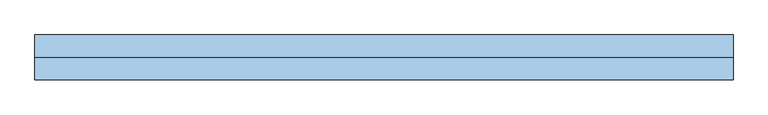
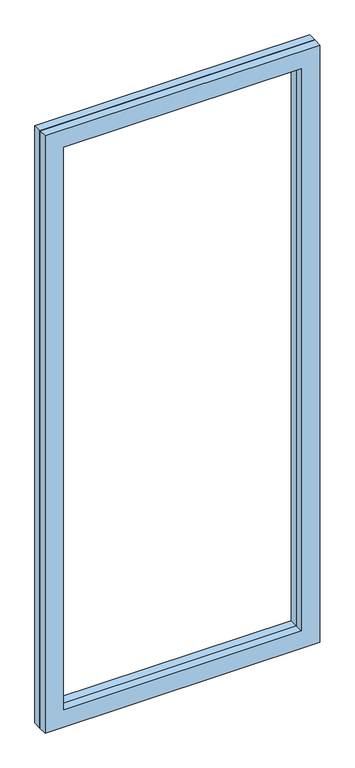
"""IFC4 building model written with IfcOpenShell, lengths in millimetres: window geometry."""

from ifc_helpers import new_model, si_unit, frame, origin, place, context, project, spatial, polyline, outline, extrude, source, transform, mapped, element, save


def window_182bf8ce(model_context):
    return source(origin(), model_context, "Body", "SweptSolid", [
        extrude(outline(polyline([(2399.5, -522.0833333), (0.0, -522.0833333), (0.0, 522.0833333), (2399.5, 522.0833333), (2399.5, -522.0833333)]), holes=[polyline([(70.0, -452.0833333), (2329.5, -452.0833333), (2329.5, 452.0833333), (70.0, 452.0833333), (70.0, -452.0833333)])]), frame((0.0, 58.5, 0.0), z_axis=(0.0, 1.0, 0.0), x_axis=(0.0, 0.0, 1.0)), (0.0, 0.0, 1.0), 33.5),
        extrude(outline(polyline([(2399.5, -522.0833333), (0.0, -522.0833333), (0.0, 522.0833333), (2399.5, 522.0833333), (2399.5, -522.0833333)]), holes=[polyline([(70.0, -452.0833333), (2329.5, -452.0833333), (2329.5, 452.0833333), (70.0, 452.0833333), (70.0, -452.0833333)])]), frame((0.0, 25.0, 0.0), z_axis=(0.0, 1.0, 0.0), x_axis=(0.0, 0.0, 1.0)), (0.0, 0.0, 1.0), 33.5),
    ])


if __name__ == "__main__":
    model = new_model("IFC4")
    model_context = context("Model", 3, world=origin())
    ifc_project = project(units=[si_unit("LENGTHUNIT", "METRE", prefix="MILLI")], contexts=[model_context])
    site = spatial("IfcSite", under=ifc_project)
    building = spatial("IfcBuilding", under=site)
    placement = place(None, origin())
    window_shape = window_182bf8ce(model_context)
    element("IfcWindow", 1, at=placement, inside=building, context=model_context, shape_type="MappedRepresentation", body=[
        mapped(window_shape, transform((0.0, 0.0, 0.0), x_axis=(1.0, 0.0, 0.0), y_axis=(0.0, 1.0, 0.0), z_axis=(0.0, 0.0, 1.0))),
    ])
    save(model, "model.ifc")
